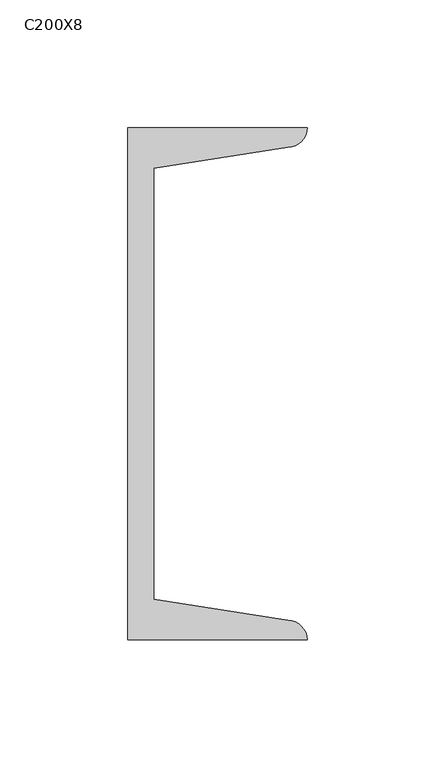
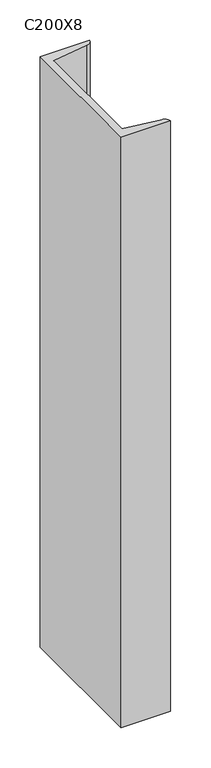
"""IFC4 building model written with IfcOpenShell, lengths in millimetres: column geometry, C200X8."""

import ifcopenshell
import ifcopenshell.guid

model = None  # the IFC model being written
_history = None  # IfcOwnerHistory: only IFC2X3 demands one
_inside = {}  # id of a spatial element -> (the spatial element, [elements in it])
_under = {}  # id of a project, library or spatial element -> (it, [spatial elements below it])
_declared = {}  # id of a project -> (the project, [libraries it declares])
_typed = {}  # id of a type object -> (the type object, [elements of that type])
_made_of = {}  # id of a material, layer set ... -> (it, [elements and type objects made of it])


def new_model(schema):
    """Start an empty IFC model of exactly this schema.

    Asked for "IFC4X3", IfcOpenShell would pick the latest addendum, in which some entities
    have other attributes; the version numbers below select the first issue.
    IFC2X3 requires an IfcOwnerHistory on every rooted entity: one is made here for all.
    """
    global model, _history
    if schema == "IFC4X3":
        model = ifcopenshell.file(schema_version=(4, 3, 0, 0))
    else:
        model = ifcopenshell.file(schema=schema)
    _inside.clear()
    _under.clear()
    _declared.clear()
    _typed.clear()
    _made_of.clear()
    _history = None
    if model.schema == "IFC2X3":
        org = make("IfcOrganization", Name="unknown")
        user = make(
            "IfcPersonAndOrganization",
            ThePerson=make("IfcPerson", FamilyName="unknown"),
            TheOrganization=org,
        )
        app = make(
            "IfcApplication",
            ApplicationDeveloper=org,
            Version="unknown",
            ApplicationFullName="unknown",
            ApplicationIdentifier="unknown",
        )
        _history = make(
            "IfcOwnerHistory",
            OwningUser=user,
            OwningApplication=app,
            ChangeAction="ADDED",
            CreationDate=0,
        )
    return model


def make(cls, **values):
    """One entity of the class cls with the attributes given. An attribute that is None is left unset."""
    return model.create_entity(
        cls, **{name: value for name, value in values.items() if value is not None}
    )


def rooted(cls, **values):
    """An entity with a GlobalId (a new one), such as an element, a storey or a relation."""
    return make(cls, GlobalId=ifcopenshell.guid.new(), OwnerHistory=_history, **values)


def si_unit(unit_type, name, prefix=None):
    """IfcSIUnit, for example si_unit("LENGTHUNIT", "METRE", prefix="MILLI")."""
    return make("IfcSIUnit", UnitType=unit_type, Prefix=prefix, Name=name)


def assignment(units):
    """IfcUnitAssignment: the units of a project."""
    return None if units is None else make("IfcUnitAssignment", Units=units)


def point(xyz):
    """IfcCartesianPoint."""
    return None if xyz is None else make("IfcCartesianPoint", Coordinates=xyz)


def direction(xyz):
    """IfcDirection."""
    return None if xyz is None else make("IfcDirection", DirectionRatios=xyz)


def frame(location, z_axis=None, x_axis=None):
    """IfcAxis2Placement3D, a coordinate frame: its origin and axes. An axis left out is left unset."""
    return make(
        "IfcAxis2Placement3D",
        Location=point(location),
        Axis=direction(z_axis),
        RefDirection=direction(x_axis),
    )


def frame_2d(location, x_axis=None):
    """IfcAxis2Placement2D, a coordinate frame in the plane: its origin and x axis."""
    return make(
        "IfcAxis2Placement2D", Location=point(location), RefDirection=direction(x_axis)
    )


def origin():
    """The frame at (0, 0, 0) with its axes left unset."""
    return frame((0.0, 0.0, 0.0))


def place(relative_to, where):
    """IfcLocalPlacement: puts the frame where relative to a parent placement (None: the world)."""
    return make(
        "IfcLocalPlacement", PlacementRelTo=relative_to, RelativePlacement=where
    )


def context(
    kind, dimensions, precision=None, world=None, true_north=None, identifier=None
):
    """IfcGeometricRepresentationContext, for example the 3D "Model" context."""
    return make(
        "IfcGeometricRepresentationContext",
        ContextIdentifier=identifier,
        ContextType=kind,
        CoordinateSpaceDimension=dimensions,
        Precision=precision,
        WorldCoordinateSystem=world,
        TrueNorth=true_north,
    )


def project(units=None, contexts=None):
    """IfcProject with its units and contexts."""
    return rooted(
        "IfcProject",
        Name="project",
        RepresentationContexts=contexts,
        UnitsInContext=assignment(units),
    )


def spatial(cls, under=None, at=None, **own):
    """A site, building, storey or space (cls), placed at a placement, below another one or the project."""
    s = rooted(cls, ObjectPlacement=at, **own)
    if under is not None:
        _under.setdefault(under.id(), (under, []))[1].append(s)
    return s


def polyline(points):
    """IfcPolyline through the points."""
    return make("IfcPolyline", Points=[point(p) for p in points])


def circle_curve(where, radius):
    """IfcCircle in the frame where."""
    return make("IfcCircle", Position=where, Radius=radius)


def trimmed(basis, trim1, trim2, sense, master):
    """IfcTrimmedCurve: the piece of a basis curve between two trims."""
    return make(
        "IfcTrimmedCurve",
        BasisCurve=basis,
        Trim1=trim1,
        Trim2=trim2,
        SenseAgreement=sense,
        MasterRepresentation=master,
    )


def segment(curve, same_sense, transition):
    """IfcCompositeCurveSegment."""
    return make(
        "IfcCompositeCurveSegment",
        Transition=transition,
        SameSense=same_sense,
        ParentCurve=curve,
    )


def composite_curve(segments, self_intersect=None):
    """IfcCompositeCurve: segments joined end to end."""
    return make("IfcCompositeCurve", Segments=segments, SelfIntersect=self_intersect)


def outline(outer, holes=None, kind="AREA"):
    """IfcArbitraryClosedProfileDef: a profile drawn as a closed curve; with holes, ...WithVoids."""
    if holes is None:
        return make("IfcArbitraryClosedProfileDef", ProfileType=kind, OuterCurve=outer)
    return make(
        "IfcArbitraryProfileDefWithVoids",
        ProfileType=kind,
        OuterCurve=outer,
        InnerCurves=holes,
    )


def extrude(swept, where, along, depth):
    """IfcExtrudedAreaSolid: the profile swept, set in the frame where, extruded along a direction by depth."""
    return make(
        "IfcExtrudedAreaSolid",
        SweptArea=swept,
        Position=where,
        ExtrudedDirection=direction(along),
        Depth=depth,
    )


def shape(context_of_items, identifier, shape_type, items):
    """IfcShapeRepresentation: the items that make up one representation, for example the "Body"."""
    return make(
        "IfcShapeRepresentation",
        ContextOfItems=context_of_items,
        RepresentationIdentifier=identifier,
        RepresentationType=shape_type,
        Items=items,
    )


def source(mapping_origin, context_of_items, identifier, shape_type, items):
    """IfcRepresentationMap: a shape defined once, which mapped items show again and again."""
    return make(
        "IfcRepresentationMap",
        MappingOrigin=mapping_origin,
        MappedRepresentation=shape(context_of_items, identifier, shape_type, items),
    )


def transform(
    local_origin,
    x_axis=None,
    y_axis=None,
    z_axis=None,
    scale=None,
    scale2=None,
    scale3=None,
    uniform=True,
):
    """IfcCartesianTransformationOperator3D, or its non-uniform kind. x_axis, y_axis, z_axis: its Axis1, 2, 3."""
    if uniform:
        return make(
            "IfcCartesianTransformationOperator3D",
            Axis1=direction(x_axis),
            Axis2=direction(y_axis),
            LocalOrigin=point(local_origin),
            Scale=scale,
            Axis3=direction(z_axis),
        )
    return make(
        "IfcCartesianTransformationOperator3DnonUniform",
        Axis1=direction(x_axis),
        Axis2=direction(y_axis),
        LocalOrigin=point(local_origin),
        Scale=scale,
        Axis3=direction(z_axis),
        Scale2=scale2,
        Scale3=scale3,
    )


def mapped(mapping_source, mapping_target):
    """IfcMappedItem: shows the shape of a source again, moved by a transform."""
    return make(
        "IfcMappedItem", MappingSource=mapping_source, MappingTarget=mapping_target
    )


def made_of(thing, what):
    """Note that an element or type object is made of a material, layer set ...; save() writes the relation."""
    if what is not None:
        _made_of.setdefault(what.id(), (what, []))[1].append(thing)
    return thing


def element(
    cls,
    number,
    at=None,
    inside=None,
    cuts=None,
    type_object=None,
    material=None,
    context=None,
    identifier="Body",
    shape_type=None,
    held_by="IfcProductDefinitionShape",
    body=None,
    shapes=None,
    **own,
):
    """One element of the class cls, such as IfcWall. Its Tag is "e" and its number.

    at: its placement. inside: the storey or other place that contains it. cuts: it is an
    opening in that element (IfcRelVoidsElement). A single representation is given by context,
    identifier, shape_type and body (its items); several are given by shapes. held_by: the class
    of the entity that holds the representations. save() writes the other relations.
    """
    e = rooted(cls, Tag="e%d" % number, ObjectPlacement=at, **own)
    if body is not None:
        shapes = [shape(context, identifier, shape_type, body)]
    if shapes is not None:
        e.Representation = make(held_by, Representations=shapes)
    if inside is not None:
        _inside.setdefault(inside.id(), (inside, []))[1].append(e)
    if cuts is not None:
        rooted(
            "IfcRelVoidsElement", RelatingBuildingElement=cuts, RelatedOpeningElement=e
        )
    if type_object is not None:
        _typed.setdefault(type_object.id(), (type_object, []))[1].append(e)
    return made_of(e, material)


def aggregate(whole, parts):
    """IfcRelAggregates: a whole, such as a stair, and the parts it consists of."""
    return rooted("IfcRelAggregates", RelatingObject=whole, RelatedObjects=parts)


def save(model, path):
    """Write the relations noted so far, then the file.

    IfcRelAggregates (storeys below a building ...), IfcRelContainedInSpatialStructure (elements
    in a storey), IfcRelDefinesByType, IfcRelAssociatesMaterial and IfcRelDeclares: one each for
    every whole, place, type object, material and project.
    """
    for whole, parts in _under.values():
        aggregate(whole, parts)
    for where, things in _inside.values():
        rooted(
            "IfcRelContainedInSpatialStructure",
            RelatedElements=things,
            RelatingStructure=where,
        )
    for kind, things in _typed.values():
        rooted("IfcRelDefinesByType", RelatedObjects=things, RelatingType=kind)
    for what, things in _made_of.values():
        rooted("IfcRelAssociatesMaterial", RelatedObjects=things, RelatingMaterial=what)
    for by, libraries in _declared.values():
        rooted("IfcRelDeclares", RelatingContext=by, RelatedDefinitions=libraries)
    model.write(path)


def c200x8_874a2ed9(model_context):
    return source(origin(), model_context, "Body", "SweptSolid", [
        extrude(outline(composite_curve([segment(polyline([(5.0, 100.0), (75.0, 100.0)]), True, "CONTINUOUS"), segment(trimmed(circle_curve(frame_2d((67.5, 100.0)), 7.5), [point((75.0, 100.0))], [point((67.5, 92.5))], False, "CARTESIAN"), True, "CONTINUOUS"), segment(polyline([(67.5, 92.5), (15.0, 84.1848169), (15.0, -84.1848169), (67.5, -92.5)]), True, "CONTINUOUS"), segment(trimmed(circle_curve(frame_2d((67.5, -100.0)), 7.5), [point((67.5, -92.5))], [point((75.0, -100.0))], False, "CARTESIAN"), True, "CONTINUOUS"), segment(polyline([(75.0, -100.0), (5.0, -100.0), (5.0, 100.0)]), True, "CONTINUOUS")], self_intersect=False)), frame((0.0, 0.0, 9360.0), z_axis=(0.0, 0.0, 1.0), x_axis=(1.0, 0.0, 0.0)), (0.0, 0.0, 1.0), 890.0),
    ])


if __name__ == "__main__":
    model = new_model("IFC4")
    model_context = context("Model", 3, world=origin())
    ifc_project = project(units=[si_unit("LENGTHUNIT", "METRE", prefix="MILLI")], contexts=[model_context])
    site = spatial("IfcSite", under=ifc_project)
    building = spatial("IfcBuilding", under=site)
    placement = place(None, origin())
    c200x8_shape = c200x8_874a2ed9(model_context)
    element("IfcColumn", 1, ObjectType="C200X8", at=placement, inside=building, context=model_context, shape_type="MappedRepresentation", body=[
        mapped(c200x8_shape, transform((0.0, 0.0, 0.0), x_axis=(1.0, 0.0, 0.0), y_axis=(0.0, 1.0, 0.0), z_axis=(0.0, 0.0, 1.0))),
    ])
    save(model, "model.ifc")
